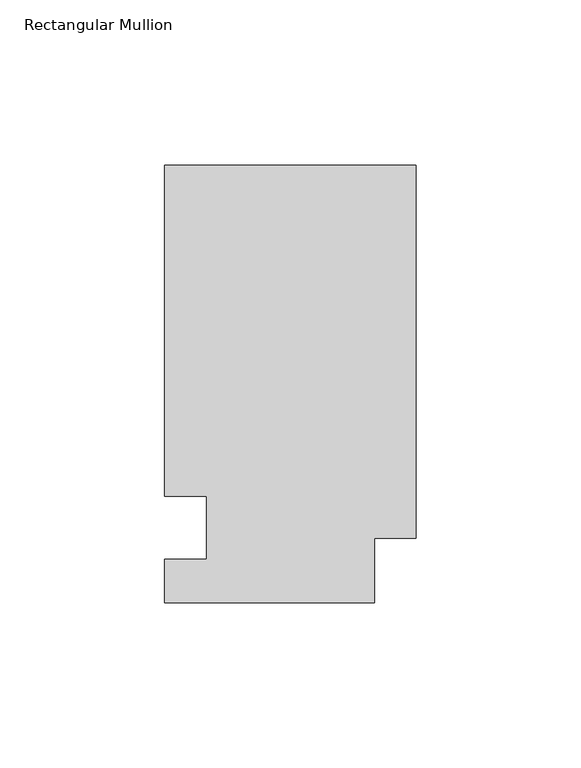
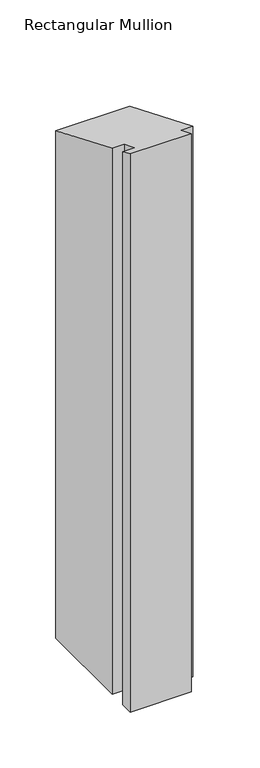
"""IFC4 building model written with IfcOpenShell, lengths in millimetres: member geometry, Rectangular Mullion."""

from ifc_helpers import new_model, si_unit, origin, place, context, project, spatial, faceted_brep, source, transform, mapped, element, save


def rectangular_mullion_248a22a9(model_context):
    return source(origin(), model_context, "Body", "Brep", [
        faceted_brep([(0.0, 132.6522937, -609.6), (0.0, 19.5460937, -609.6), (-12.7, 19.5460938, -609.6), (-12.7, 0.0134938, -609.6), (-76.2, 0.0134938, -609.6), (-76.2, 13.1960938, -609.6), (-63.5, 13.1960937, -609.6), (-63.5, 32.2460937, -609.6), (-76.2, 32.2460938, -609.6), (-76.2, 132.6522938, -609.6), (-76.2, 132.6522938, -54.9463792), (0.0, 132.6522937, -54.9463792), (-76.2, 32.2460938, -13.3567694), (-63.5, 32.2460937, -13.3567694), (-63.5, 13.1960937, -5.466001), (-76.2, 13.1960938, -5.466001), (-76.2, 0.0134938, -0.0055893), (-12.7, 0.0134938, -0.0055893), (-12.7, 19.5460938, -8.0962571), (0.0, 19.5460937, -8.0962571)], [[[0, 1, 2, 3, 4, 5, 6, 7, 8, 9]], [[10, 11, 0, 9]], [[12, 10, 9, 8]], [[13, 12, 8, 7]], [[14, 13, 7, 6]], [[15, 14, 6, 5]], [[16, 15, 5, 4]], [[17, 16, 4, 3]], [[18, 17, 3, 2]], [[19, 18, 2, 1]], [[11, 19, 1, 0]], [[11, 10, 12, 13, 14, 15, 16, 17, 18, 19]]]),
    ])


if __name__ == "__main__":
    model = new_model("IFC4")
    model_context = context("Model", 3, world=origin())
    ifc_project = project(units=[si_unit("LENGTHUNIT", "METRE", prefix="MILLI")], contexts=[model_context])
    site = spatial("IfcSite", under=ifc_project)
    building = spatial("IfcBuilding", under=site)
    placement = place(None, origin())
    rectangular_mullion_shape = rectangular_mullion_248a22a9(model_context)
    element("IfcMember", 1, ObjectType="Rectangular Mullion", at=placement, inside=building, context=model_context, shape_type="MappedRepresentation", body=[
        mapped(rectangular_mullion_shape, transform((0.0, 0.0, 0.0), x_axis=(1.0, 0.0, 0.0), y_axis=(0.0, 1.0, 0.0), z_axis=(0.0, 0.0, 1.0))),
    ])
    save(model, "model.ifc")
